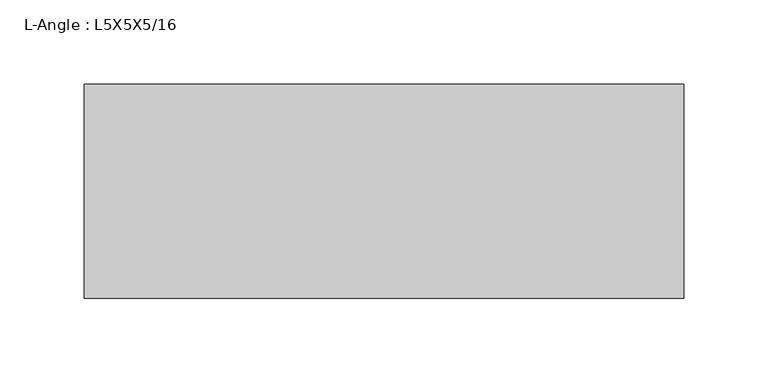
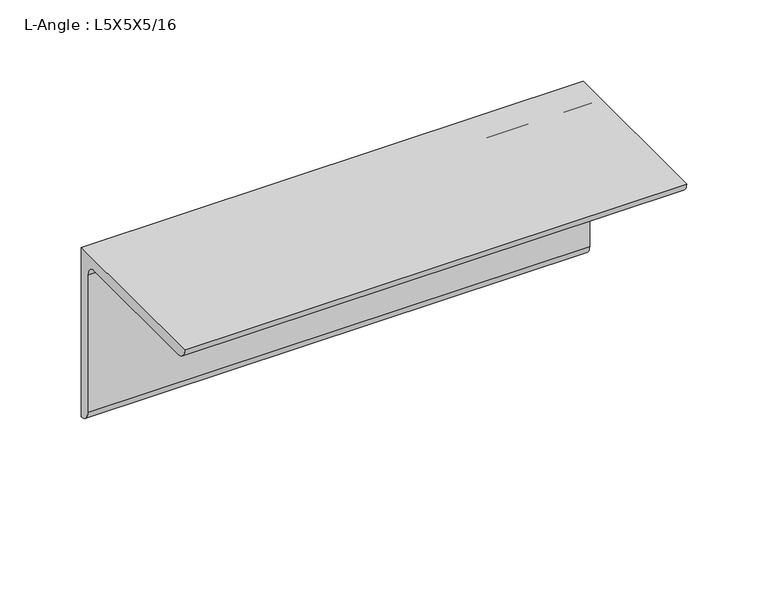
"""IFC4 building model written with IfcOpenShell, lengths in millimetres: beam geometry, L-Angle : L5X5X5/16."""

from ifc_helpers import new_model, si_unit, point, frame, frame_2d, origin, place, context, project, spatial, polyline, circle_curve, trimmed, segment, composite_curve, outline, extrude, source, transform, mapped, element, save


def l_angle_l5x5x5_16_683f355d(model_context):
    return source(origin(), model_context, "Body", "SweptSolid", [
        extrude(outline(composite_curve([segment(polyline([(34.3296875, 34.3296875), (34.3296875, -92.6703125)]), True, "CONTINUOUS"), segment(trimmed(circle_curve(frame_2d((34.3296875, -84.7328125)), 7.9375), [point((34.3296875, -92.6703125))], [point((26.3921875, -84.7328125))], False, "CARTESIAN"), True, "CONTINUOUS"), segment(polyline([(26.3921875, -84.7328125), (26.3921875, 18.4546875)]), True, "CONTINUOUS"), segment(trimmed(circle_curve(frame_2d((18.4546875, 18.4546875)), 7.9375), [point((26.3921875, 18.4546875))], [point((18.4546875, 26.3921875))], True, "CARTESIAN"), True, "CONTINUOUS"), segment(polyline([(18.4546875, 26.3921875), (-84.7328125, 26.3921875)]), True, "CONTINUOUS"), segment(trimmed(circle_curve(frame_2d((-84.7328125, 34.3296875)), 7.9375), [point((-84.7328125, 26.3921875))], [point((-92.6703125, 34.3296875))], False, "CARTESIAN"), True, "CONTINUOUS"), segment(polyline([(-92.6703125, 34.3296875), (34.3296875, 34.3296875)]), True, "CONTINUOUS")], self_intersect=False)), frame((-206.9703125, 0.0, 0.0), z_axis=(1.0, 0.0, 0.0), x_axis=(0.0, 1.0, 0.0)), (0.0, 0.0, 1.0), 355.6),
    ])


if __name__ == "__main__":
    model = new_model("IFC4")
    model_context = context("Model", 3, world=origin())
    ifc_project = project(units=[si_unit("LENGTHUNIT", "METRE", prefix="MILLI")], contexts=[model_context])
    site = spatial("IfcSite", under=ifc_project)
    building = spatial("IfcBuilding", under=site)
    placement = place(None, origin())
    l_angle_l5x5x5_16_shape = l_angle_l5x5x5_16_683f355d(model_context)
    element("IfcBeam", 1, ObjectType="L-Angle : L5X5X5/16", at=placement, inside=building, context=model_context, shape_type="MappedRepresentation", body=[
        mapped(l_angle_l5x5x5_16_shape, transform((0.0, 0.0, 0.0), x_axis=(1.0, 0.0, 0.0), y_axis=(0.0, 1.0, 0.0), z_axis=(0.0, 0.0, 1.0))),
    ])
    save(model, "model.ifc")
